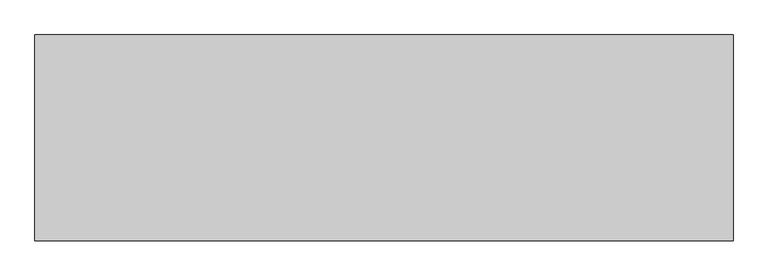
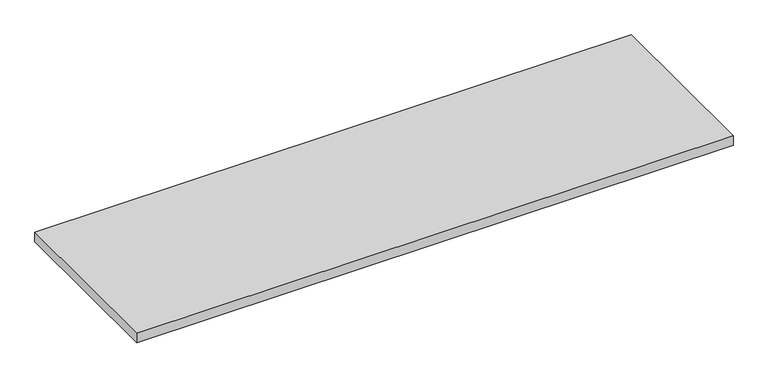
"""IFC4 building model written with IfcOpenShell, lengths in millimetres: furniture geometry."""

from ifc_helpers import new_model, si_unit, frame, origin, place, context, project, spatial, polyline, outline, extrude, source, transform, mapped, element, save


def furniture_8e206600(model_context):
    return source(origin(), model_context, "Body", "SweptSolid", [
        extrude(outline(polyline([(7912.1, 445.5973297), (7912.1, -468.8026703), (4813.3, -468.8026703), (4813.3, 445.5973297), (7912.1, 445.5973297)])), frame((0.0, 0.0, 1016.0), z_axis=(0.0, 0.0, 1.0), x_axis=(1.0, 0.0, 0.0)), (0.0, 0.0, 1.0), 50.8),
    ])


if __name__ == "__main__":
    model = new_model("IFC4")
    model_context = context("Model", 3, world=origin())
    ifc_project = project(units=[si_unit("LENGTHUNIT", "METRE", prefix="MILLI")], contexts=[model_context])
    site = spatial("IfcSite", under=ifc_project)
    building = spatial("IfcBuilding", under=site)
    placement = place(None, origin())
    furniture_shape = furniture_8e206600(model_context)
    element("IfcFurniture", 1, at=placement, inside=building, context=model_context, shape_type="MappedRepresentation", body=[
        mapped(furniture_shape, transform((0.0, 0.0, 0.0), x_axis=(1.0, 0.0, 0.0), y_axis=(0.0, 1.0, 0.0), z_axis=(0.0, 0.0, 1.0))),
    ])
    save(model, "model.ifc")
